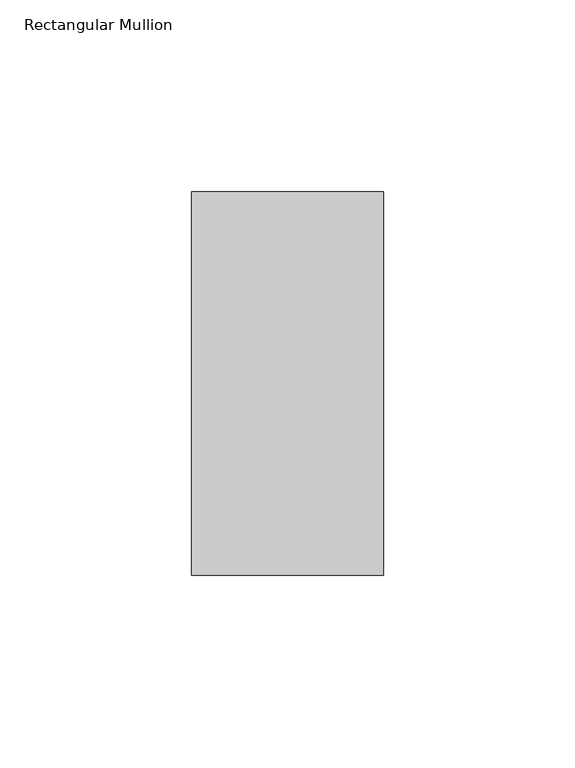
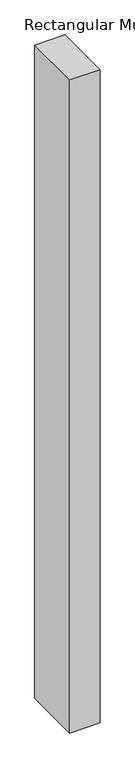
"""IFC4 building model written with IfcOpenShell, lengths in millimetres: member geometry, Rectangular Mullion."""

import ifcopenshell
import ifcopenshell.guid

model = None  # the IFC model being written
_history = None  # IfcOwnerHistory: only IFC2X3 demands one
_inside = {}  # id of a spatial element -> (the spatial element, [elements in it])
_under = {}  # id of a project, library or spatial element -> (it, [spatial elements below it])
_declared = {}  # id of a project -> (the project, [libraries it declares])
_typed = {}  # id of a type object -> (the type object, [elements of that type])
_made_of = {}  # id of a material, layer set ... -> (it, [elements and type objects made of it])


def new_model(schema):
    """Start an empty IFC model of exactly this schema.

    Asked for "IFC4X3", IfcOpenShell would pick the latest addendum, in which some entities
    have other attributes; the version numbers below select the first issue.
    IFC2X3 requires an IfcOwnerHistory on every rooted entity: one is made here for all.
    """
    global model, _history
    if schema == "IFC4X3":
        model = ifcopenshell.file(schema_version=(4, 3, 0, 0))
    else:
        model = ifcopenshell.file(schema=schema)
    _inside.clear()
    _under.clear()
    _declared.clear()
    _typed.clear()
    _made_of.clear()
    _history = None
    if model.schema == "IFC2X3":
        org = make("IfcOrganization", Name="unknown")
        user = make(
            "IfcPersonAndOrganization",
            ThePerson=make("IfcPerson", FamilyName="unknown"),
            TheOrganization=org,
        )
        app = make(
            "IfcApplication",
            ApplicationDeveloper=org,
            Version="unknown",
            ApplicationFullName="unknown",
            ApplicationIdentifier="unknown",
        )
        _history = make(
            "IfcOwnerHistory",
            OwningUser=user,
            OwningApplication=app,
            ChangeAction="ADDED",
            CreationDate=0,
        )
    return model


def make(cls, **values):
    """One entity of the class cls with the attributes given. An attribute that is None is left unset."""
    return model.create_entity(
        cls, **{name: value for name, value in values.items() if value is not None}
    )


def rooted(cls, **values):
    """An entity with a GlobalId (a new one), such as an element, a storey or a relation."""
    return make(cls, GlobalId=ifcopenshell.guid.new(), OwnerHistory=_history, **values)


def si_unit(unit_type, name, prefix=None):
    """IfcSIUnit, for example si_unit("LENGTHUNIT", "METRE", prefix="MILLI")."""
    return make("IfcSIUnit", UnitType=unit_type, Prefix=prefix, Name=name)


def assignment(units):
    """IfcUnitAssignment: the units of a project."""
    return None if units is None else make("IfcUnitAssignment", Units=units)


def point(xyz):
    """IfcCartesianPoint."""
    return None if xyz is None else make("IfcCartesianPoint", Coordinates=xyz)


def direction(xyz):
    """IfcDirection."""
    return None if xyz is None else make("IfcDirection", DirectionRatios=xyz)


def frame(location, z_axis=None, x_axis=None):
    """IfcAxis2Placement3D, a coordinate frame: its origin and axes. An axis left out is left unset."""
    return make(
        "IfcAxis2Placement3D",
        Location=point(location),
        Axis=direction(z_axis),
        RefDirection=direction(x_axis),
    )


def origin():
    """The frame at (0, 0, 0) with its axes left unset."""
    return frame((0.0, 0.0, 0.0))


def place(relative_to, where):
    """IfcLocalPlacement: puts the frame where relative to a parent placement (None: the world)."""
    return make(
        "IfcLocalPlacement", PlacementRelTo=relative_to, RelativePlacement=where
    )


def context(
    kind, dimensions, precision=None, world=None, true_north=None, identifier=None
):
    """IfcGeometricRepresentationContext, for example the 3D "Model" context."""
    return make(
        "IfcGeometricRepresentationContext",
        ContextIdentifier=identifier,
        ContextType=kind,
        CoordinateSpaceDimension=dimensions,
        Precision=precision,
        WorldCoordinateSystem=world,
        TrueNorth=true_north,
    )


def project(units=None, contexts=None):
    """IfcProject with its units and contexts."""
    return rooted(
        "IfcProject",
        Name="project",
        RepresentationContexts=contexts,
        UnitsInContext=assignment(units),
    )


def spatial(cls, under=None, at=None, **own):
    """A site, building, storey or space (cls), placed at a placement, below another one or the project."""
    s = rooted(cls, ObjectPlacement=at, **own)
    if under is not None:
        _under.setdefault(under.id(), (under, []))[1].append(s)
    return s


def polyline(points):
    """IfcPolyline through the points."""
    return make("IfcPolyline", Points=[point(p) for p in points])


def outline(outer, holes=None, kind="AREA"):
    """IfcArbitraryClosedProfileDef: a profile drawn as a closed curve; with holes, ...WithVoids."""
    if holes is None:
        return make("IfcArbitraryClosedProfileDef", ProfileType=kind, OuterCurve=outer)
    return make(
        "IfcArbitraryProfileDefWithVoids",
        ProfileType=kind,
        OuterCurve=outer,
        InnerCurves=holes,
    )


def extrude(swept, where, along, depth):
    """IfcExtrudedAreaSolid: the profile swept, set in the frame where, extruded along a direction by depth."""
    return make(
        "IfcExtrudedAreaSolid",
        SweptArea=swept,
        Position=where,
        ExtrudedDirection=direction(along),
        Depth=depth,
    )


def shape(context_of_items, identifier, shape_type, items):
    """IfcShapeRepresentation: the items that make up one representation, for example the "Body"."""
    return make(
        "IfcShapeRepresentation",
        ContextOfItems=context_of_items,
        RepresentationIdentifier=identifier,
        RepresentationType=shape_type,
        Items=items,
    )


def source(mapping_origin, context_of_items, identifier, shape_type, items):
    """IfcRepresentationMap: a shape defined once, which mapped items show again and again."""
    return make(
        "IfcRepresentationMap",
        MappingOrigin=mapping_origin,
        MappedRepresentation=shape(context_of_items, identifier, shape_type, items),
    )


def transform(
    local_origin,
    x_axis=None,
    y_axis=None,
    z_axis=None,
    scale=None,
    scale2=None,
    scale3=None,
    uniform=True,
):
    """IfcCartesianTransformationOperator3D, or its non-uniform kind. x_axis, y_axis, z_axis: its Axis1, 2, 3."""
    if uniform:
        return make(
            "IfcCartesianTransformationOperator3D",
            Axis1=direction(x_axis),
            Axis2=direction(y_axis),
            LocalOrigin=point(local_origin),
            Scale=scale,
            Axis3=direction(z_axis),
        )
    return make(
        "IfcCartesianTransformationOperator3DnonUniform",
        Axis1=direction(x_axis),
        Axis2=direction(y_axis),
        LocalOrigin=point(local_origin),
        Scale=scale,
        Axis3=direction(z_axis),
        Scale2=scale2,
        Scale3=scale3,
    )


def mapped(mapping_source, mapping_target):
    """IfcMappedItem: shows the shape of a source again, moved by a transform."""
    return make(
        "IfcMappedItem", MappingSource=mapping_source, MappingTarget=mapping_target
    )


def made_of(thing, what):
    """Note that an element or type object is made of a material, layer set ...; save() writes the relation."""
    if what is not None:
        _made_of.setdefault(what.id(), (what, []))[1].append(thing)
    return thing


def element(
    cls,
    number,
    at=None,
    inside=None,
    cuts=None,
    type_object=None,
    material=None,
    context=None,
    identifier="Body",
    shape_type=None,
    held_by="IfcProductDefinitionShape",
    body=None,
    shapes=None,
    **own,
):
    """One element of the class cls, such as IfcWall. Its Tag is "e" and its number.

    at: its placement. inside: the storey or other place that contains it. cuts: it is an
    opening in that element (IfcRelVoidsElement). A single representation is given by context,
    identifier, shape_type and body (its items); several are given by shapes. held_by: the class
    of the entity that holds the representations. save() writes the other relations.
    """
    e = rooted(cls, Tag="e%d" % number, ObjectPlacement=at, **own)
    if body is not None:
        shapes = [shape(context, identifier, shape_type, body)]
    if shapes is not None:
        e.Representation = make(held_by, Representations=shapes)
    if inside is not None:
        _inside.setdefault(inside.id(), (inside, []))[1].append(e)
    if cuts is not None:
        rooted(
            "IfcRelVoidsElement", RelatingBuildingElement=cuts, RelatedOpeningElement=e
        )
    if type_object is not None:
        _typed.setdefault(type_object.id(), (type_object, []))[1].append(e)
    return made_of(e, material)


def aggregate(whole, parts):
    """IfcRelAggregates: a whole, such as a stair, and the parts it consists of."""
    return rooted("IfcRelAggregates", RelatingObject=whole, RelatedObjects=parts)


def save(model, path):
    """Write the relations noted so far, then the file.

    IfcRelAggregates (storeys below a building ...), IfcRelContainedInSpatialStructure (elements
    in a storey), IfcRelDefinesByType, IfcRelAssociatesMaterial and IfcRelDeclares: one each for
    every whole, place, type object, material and project.
    """
    for whole, parts in _under.values():
        aggregate(whole, parts)
    for where, things in _inside.values():
        rooted(
            "IfcRelContainedInSpatialStructure",
            RelatedElements=things,
            RelatingStructure=where,
        )
    for kind, things in _typed.values():
        rooted("IfcRelDefinesByType", RelatedObjects=things, RelatingType=kind)
    for what, things in _made_of.values():
        rooted("IfcRelAssociatesMaterial", RelatedObjects=things, RelatingMaterial=what)
    for by, libraries in _declared.values():
        rooted("IfcRelDeclares", RelatingContext=by, RelatedDefinitions=libraries)
    model.write(path)


def rectangular_mullion_b774e8b2(model_context):
    return source(origin(), model_context, "Body", "SweptSolid", [
        extrude(outline(polyline([(0.0, 69.0), (0.0, -31.0), (-50.0, -31.0), (-50.0, 69.0), (0.0, 69.0)])), frame((0.0, 0.0, -1140.0), z_axis=(0.0, 0.0, 1.0), x_axis=(1.0, 0.0, 0.0)), (0.0, 0.0, 1.0), 1140.0),
    ])


if __name__ == "__main__":
    model = new_model("IFC4")
    model_context = context("Model", 3, world=origin())
    ifc_project = project(units=[si_unit("LENGTHUNIT", "METRE", prefix="MILLI")], contexts=[model_context])
    site = spatial("IfcSite", under=ifc_project)
    building = spatial("IfcBuilding", under=site)
    placement = place(None, origin())
    rectangular_mullion_shape = rectangular_mullion_b774e8b2(model_context)
    element("IfcMember", 1, ObjectType="Rectangular Mullion", at=placement, inside=building, context=model_context, shape_type="MappedRepresentation", body=[
        mapped(rectangular_mullion_shape, transform((0.0, 0.0, 0.0), x_axis=(1.0, 0.0, 0.0), y_axis=(0.0, 1.0, 0.0), z_axis=(0.0, 0.0, 1.0))),
    ])
    save(model, "model.ifc")
